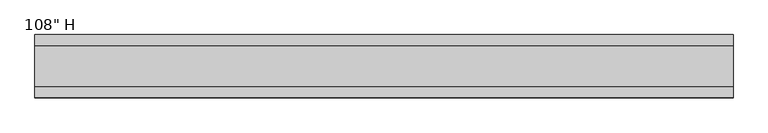
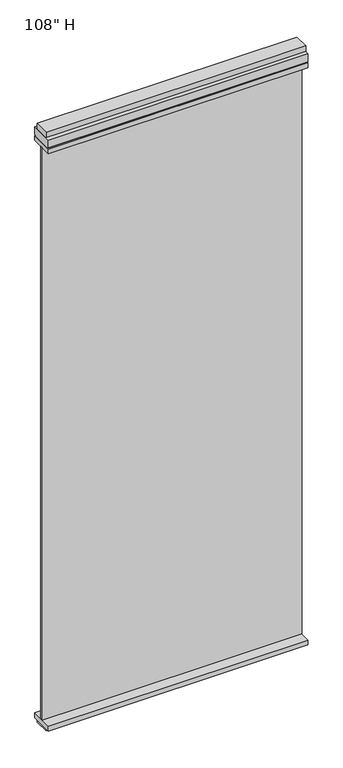
"""IFC4 building model written with IfcOpenShell, lengths in millimetres: furniture geometry."""

import ifcopenshell
import ifcopenshell.guid

model = None  # the IFC model being written
_history = None  # IfcOwnerHistory: only IFC2X3 demands one
_inside = {}  # id of a spatial element -> (the spatial element, [elements in it])
_under = {}  # id of a project, library or spatial element -> (it, [spatial elements below it])
_declared = {}  # id of a project -> (the project, [libraries it declares])
_typed = {}  # id of a type object -> (the type object, [elements of that type])
_made_of = {}  # id of a material, layer set ... -> (it, [elements and type objects made of it])


def new_model(schema):
    """Start an empty IFC model of exactly this schema.

    Asked for "IFC4X3", IfcOpenShell would pick the latest addendum, in which some entities
    have other attributes; the version numbers below select the first issue.
    IFC2X3 requires an IfcOwnerHistory on every rooted entity: one is made here for all.
    """
    global model, _history
    if schema == "IFC4X3":
        model = ifcopenshell.file(schema_version=(4, 3, 0, 0))
    else:
        model = ifcopenshell.file(schema=schema)
    _inside.clear()
    _under.clear()
    _declared.clear()
    _typed.clear()
    _made_of.clear()
    _history = None
    if model.schema == "IFC2X3":
        org = make("IfcOrganization", Name="unknown")
        user = make(
            "IfcPersonAndOrganization",
            ThePerson=make("IfcPerson", FamilyName="unknown"),
            TheOrganization=org,
        )
        app = make(
            "IfcApplication",
            ApplicationDeveloper=org,
            Version="unknown",
            ApplicationFullName="unknown",
            ApplicationIdentifier="unknown",
        )
        _history = make(
            "IfcOwnerHistory",
            OwningUser=user,
            OwningApplication=app,
            ChangeAction="ADDED",
            CreationDate=0,
        )
    return model


def make(cls, **values):
    """One entity of the class cls with the attributes given. An attribute that is None is left unset."""
    return model.create_entity(
        cls, **{name: value for name, value in values.items() if value is not None}
    )


def rooted(cls, **values):
    """An entity with a GlobalId (a new one), such as an element, a storey or a relation."""
    return make(cls, GlobalId=ifcopenshell.guid.new(), OwnerHistory=_history, **values)


def si_unit(unit_type, name, prefix=None):
    """IfcSIUnit, for example si_unit("LENGTHUNIT", "METRE", prefix="MILLI")."""
    return make("IfcSIUnit", UnitType=unit_type, Prefix=prefix, Name=name)


def assignment(units):
    """IfcUnitAssignment: the units of a project."""
    return None if units is None else make("IfcUnitAssignment", Units=units)


def point(xyz):
    """IfcCartesianPoint."""
    return None if xyz is None else make("IfcCartesianPoint", Coordinates=xyz)


def direction(xyz):
    """IfcDirection."""
    return None if xyz is None else make("IfcDirection", DirectionRatios=xyz)


def frame(location, z_axis=None, x_axis=None):
    """IfcAxis2Placement3D, a coordinate frame: its origin and axes. An axis left out is left unset."""
    return make(
        "IfcAxis2Placement3D",
        Location=point(location),
        Axis=direction(z_axis),
        RefDirection=direction(x_axis),
    )


def origin():
    """The frame at (0, 0, 0) with its axes left unset."""
    return frame((0.0, 0.0, 0.0))


def origin_with_axes():
    """The frame at (0, 0, 0) with the z axis (0, 0, 1) and the x axis (1, 0, 0) written out."""
    return frame((0.0, 0.0, 0.0), z_axis=(0.0, 0.0, 1.0), x_axis=(1.0, 0.0, 0.0))


def place(relative_to, where):
    """IfcLocalPlacement: puts the frame where relative to a parent placement (None: the world)."""
    return make(
        "IfcLocalPlacement", PlacementRelTo=relative_to, RelativePlacement=where
    )


def context(
    kind, dimensions, precision=None, world=None, true_north=None, identifier=None
):
    """IfcGeometricRepresentationContext, for example the 3D "Model" context."""
    return make(
        "IfcGeometricRepresentationContext",
        ContextIdentifier=identifier,
        ContextType=kind,
        CoordinateSpaceDimension=dimensions,
        Precision=precision,
        WorldCoordinateSystem=world,
        TrueNorth=true_north,
    )


def project(units=None, contexts=None):
    """IfcProject with its units and contexts."""
    return rooted(
        "IfcProject",
        Name="project",
        RepresentationContexts=contexts,
        UnitsInContext=assignment(units),
    )


def spatial(cls, under=None, at=None, **own):
    """A site, building, storey or space (cls), placed at a placement, below another one or the project."""
    s = rooted(cls, ObjectPlacement=at, **own)
    if under is not None:
        _under.setdefault(under.id(), (under, []))[1].append(s)
    return s


def polyline(points):
    """IfcPolyline through the points."""
    return make("IfcPolyline", Points=[point(p) for p in points])


def outline(outer, holes=None, kind="AREA"):
    """IfcArbitraryClosedProfileDef: a profile drawn as a closed curve; with holes, ...WithVoids."""
    if holes is None:
        return make("IfcArbitraryClosedProfileDef", ProfileType=kind, OuterCurve=outer)
    return make(
        "IfcArbitraryProfileDefWithVoids",
        ProfileType=kind,
        OuterCurve=outer,
        InnerCurves=holes,
    )


def extrude(swept, where, along, depth):
    """IfcExtrudedAreaSolid: the profile swept, set in the frame where, extruded along a direction by depth."""
    return make(
        "IfcExtrudedAreaSolid",
        SweptArea=swept,
        Position=where,
        ExtrudedDirection=direction(along),
        Depth=depth,
    )


def shape(context_of_items, identifier, shape_type, items):
    """IfcShapeRepresentation: the items that make up one representation, for example the "Body"."""
    return make(
        "IfcShapeRepresentation",
        ContextOfItems=context_of_items,
        RepresentationIdentifier=identifier,
        RepresentationType=shape_type,
        Items=items,
    )


def source(mapping_origin, context_of_items, identifier, shape_type, items):
    """IfcRepresentationMap: a shape defined once, which mapped items show again and again."""
    return make(
        "IfcRepresentationMap",
        MappingOrigin=mapping_origin,
        MappedRepresentation=shape(context_of_items, identifier, shape_type, items),
    )


def transform(
    local_origin,
    x_axis=None,
    y_axis=None,
    z_axis=None,
    scale=None,
    scale2=None,
    scale3=None,
    uniform=True,
):
    """IfcCartesianTransformationOperator3D, or its non-uniform kind. x_axis, y_axis, z_axis: its Axis1, 2, 3."""
    if uniform:
        return make(
            "IfcCartesianTransformationOperator3D",
            Axis1=direction(x_axis),
            Axis2=direction(y_axis),
            LocalOrigin=point(local_origin),
            Scale=scale,
            Axis3=direction(z_axis),
        )
    return make(
        "IfcCartesianTransformationOperator3DnonUniform",
        Axis1=direction(x_axis),
        Axis2=direction(y_axis),
        LocalOrigin=point(local_origin),
        Scale=scale,
        Axis3=direction(z_axis),
        Scale2=scale2,
        Scale3=scale3,
    )


def mapped(mapping_source, mapping_target):
    """IfcMappedItem: shows the shape of a source again, moved by a transform."""
    return make(
        "IfcMappedItem", MappingSource=mapping_source, MappingTarget=mapping_target
    )


def made_of(thing, what):
    """Note that an element or type object is made of a material, layer set ...; save() writes the relation."""
    if what is not None:
        _made_of.setdefault(what.id(), (what, []))[1].append(thing)
    return thing


def element(
    cls,
    number,
    at=None,
    inside=None,
    cuts=None,
    type_object=None,
    material=None,
    context=None,
    identifier="Body",
    shape_type=None,
    held_by="IfcProductDefinitionShape",
    body=None,
    shapes=None,
    **own,
):
    """One element of the class cls, such as IfcWall. Its Tag is "e" and its number.

    at: its placement. inside: the storey or other place that contains it. cuts: it is an
    opening in that element (IfcRelVoidsElement). A single representation is given by context,
    identifier, shape_type and body (its items); several are given by shapes. held_by: the class
    of the entity that holds the representations. save() writes the other relations.
    """
    e = rooted(cls, Tag="e%d" % number, ObjectPlacement=at, **own)
    if body is not None:
        shapes = [shape(context, identifier, shape_type, body)]
    if shapes is not None:
        e.Representation = make(held_by, Representations=shapes)
    if inside is not None:
        _inside.setdefault(inside.id(), (inside, []))[1].append(e)
    if cuts is not None:
        rooted(
            "IfcRelVoidsElement", RelatingBuildingElement=cuts, RelatedOpeningElement=e
        )
    if type_object is not None:
        _typed.setdefault(type_object.id(), (type_object, []))[1].append(e)
    return made_of(e, material)


def aggregate(whole, parts):
    """IfcRelAggregates: a whole, such as a stair, and the parts it consists of."""
    return rooted("IfcRelAggregates", RelatingObject=whole, RelatedObjects=parts)


def save(model, path):
    """Write the relations noted so far, then the file.

    IfcRelAggregates (storeys below a building ...), IfcRelContainedInSpatialStructure (elements
    in a storey), IfcRelDefinesByType, IfcRelAssociatesMaterial and IfcRelDeclares: one each for
    every whole, place, type object, material and project.
    """
    for whole, parts in _under.values():
        aggregate(whole, parts)
    for where, things in _inside.values():
        rooted(
            "IfcRelContainedInSpatialStructure",
            RelatedElements=things,
            RelatingStructure=where,
        )
    for kind, things in _typed.values():
        rooted("IfcRelDefinesByType", RelatedObjects=things, RelatingType=kind)
    for what, things in _made_of.values():
        rooted("IfcRelAssociatesMaterial", RelatedObjects=things, RelatingMaterial=what)
    for by, libraries in _declared.values():
        rooted("IfcRelDeclares", RelatingContext=by, RelatedDefinitions=libraries)
    model.write(path)


def furniture_c556e53e(model_context):
    return source(origin(), model_context, "Body", "SweptSolid", [
        extrude(outline(polyline([(456.6629771, -9.5977216), (-670.4620229, -9.5977216), (-670.4620229, 0.5622784), (456.6629771, 0.5622784), (456.6629771, -9.5977216)])), frame((0.0, 0.0, 31.75), z_axis=(0.0, 0.0, 1.0), x_axis=(1.0, 0.0, 0.0)), (0.0, 0.0, 1.0), 2622.55),
        extrude(outline(polyline([(-670.4620229, -55.3177216), (-670.4620229, 46.2822784), (456.6629771, 46.2822784), (456.6629771, -55.3177216), (-670.4620229, -55.3177216)])), frame((0.0, 0.0, 9.525), z_axis=(0.0, 0.0, 1.0), x_axis=(1.0, 0.0, 0.0)), (0.0, 0.0, 1.0), 22.225),
        extrude(outline(polyline([(456.6629771, 28.1847784), (456.6629771, -37.2202216), (-670.4620229, -37.2202216), (-670.4620229, 28.1847784), (456.6629771, 28.1847784)])), origin_with_axes(), (0.0, 0.0, 1.0), 9.525),
        extrude(outline(polyline([(-670.4620229, -37.0297216), (-670.4620229, 27.9942784), (456.6629771, 27.9942784), (456.6629771, -37.0297216), (-670.4620229, -37.0297216)])), frame((0.0, 0.0, 2717.8), z_axis=(0.0, 0.0, 1.0), x_axis=(1.0, 0.0, 0.0)), (0.0, 0.0, 1.0), 25.4),
        extrude(outline(polyline([(-55.3177216, 2681.478), (-55.3177216, 2717.8), (46.2822784, 2717.8), (46.2822784, 2681.478), (41.3292784, 2681.478), (41.3292784, 2676.525), (-50.3647216, 2676.525), (-50.3647216, 2681.478), (-55.3177216, 2681.478)])), frame((-670.4620229, 0.0, 0.0), z_axis=(1.0, 0.0, 0.0), x_axis=(0.0, 1.0, 0.0)), (0.0, 0.0, 1.0), 1127.125),
        extrude(outline(polyline([(456.6629771, 46.2822784), (456.6629771, -55.3177216), (-670.4620229, -55.3177216), (-670.4620229, 46.2822784), (456.6629771, 46.2822784)])), frame((0.0, 0.0, 2654.3), z_axis=(0.0, 0.0, 1.0), x_axis=(1.0, 0.0, 0.0)), (0.0, 0.0, 1.0), 22.225),
    ])


if __name__ == "__main__":
    model = new_model("IFC4")
    model_context = context("Model", 3, world=origin())
    ifc_project = project(units=[si_unit("LENGTHUNIT", "METRE", prefix="MILLI")], contexts=[model_context])
    site = spatial("IfcSite", under=ifc_project)
    building = spatial("IfcBuilding", under=site)
    placement = place(None, origin())
    furniture_shape = furniture_c556e53e(model_context)
    element("IfcFurniture", 1, ObjectType="108\" H", at=placement, inside=building, context=model_context, shape_type="MappedRepresentation", body=[
        mapped(furniture_shape, transform((0.0, 0.0, 0.0), x_axis=(1.0, 0.0, 0.0), y_axis=(0.0, 1.0, 0.0), z_axis=(0.0, 0.0, 1.0))),
    ])
    save(model, "model.ifc")
